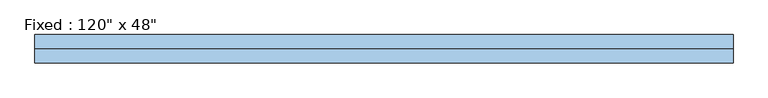
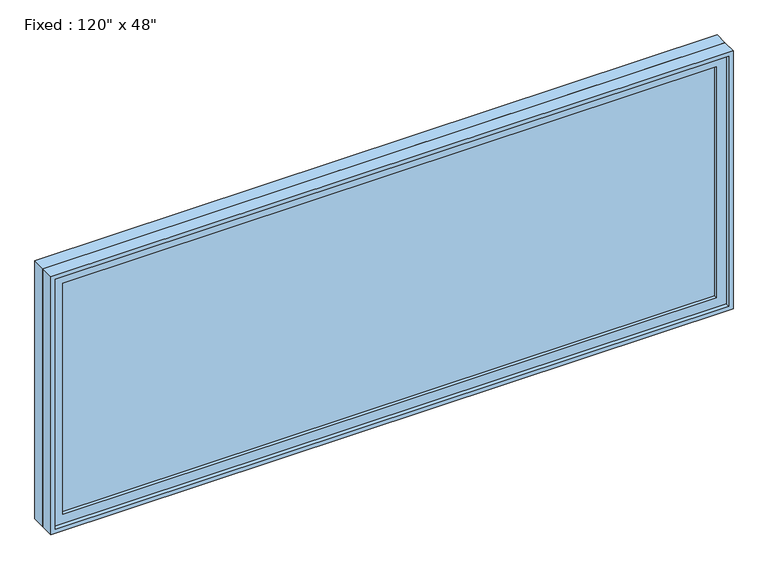
"""IFC4 building model written with IfcOpenShell, lengths in millimetres: window geometry."""

from ifc_helpers import new_model, si_unit, frame, origin, place, context, project, spatial, polyline, outline, extrude, source, transform, mapped, element, save


def window_92ac4fd3(model_context):
    return source(origin(), model_context, "Body", "SweptSolid", [
        extrude(outline(polyline([(1422.4, -14.2875), (1422.4, -26.9875), (-1498.6, -26.9875), (-1498.6, -14.2875), (1422.4, -14.2875)])), frame((0.0, 0.0, 977.9), z_axis=(0.0, 0.0, 1.0), x_axis=(1.0, 0.0, 0.0)), (0.0, 0.0, 1.0), 1092.2),
        extrude(outline(polyline([(2114.55, -1543.05), (933.45, -1543.05), (933.45, 1466.85), (2114.55, 1466.85), (2114.55, -1543.05)]), holes=[polyline([(2070.1, -1498.6), (2070.1, 1422.4), (977.9, 1422.4), (977.9, -1498.6), (2070.1, -1498.6)])]), frame((0.0, -42.8625, 0.0), z_axis=(0.0, 1.0, 0.0), x_axis=(0.0, 0.0, 1.0)), (0.0, 0.0, 1.0), 44.45),
        extrude(outline(polyline([(2133.6, -1562.1), (914.4, -1562.1), (914.4, 1485.9), (2133.6, 1485.9), (2133.6, -1562.1)]), holes=[polyline([(2101.85, -1530.35), (2101.85, 1454.15), (946.15, 1454.15), (946.15, -1530.35), (2101.85, -1530.35)])]), frame((0.0, 1.5875, 0.0), z_axis=(0.0, 1.0, 0.0), x_axis=(0.0, 0.0, 1.0)), (0.0, 0.0, 1.0), 60.325),
        extrude(outline(polyline([(2133.6, 1485.9), (2133.6, -1562.1), (914.4, -1562.1), (914.4, 1485.9), (2133.6, 1485.9)]), holes=[polyline([(2114.55, 1466.85), (933.45, 1466.85), (933.45, -1543.05), (2114.55, -1543.05), (2114.55, 1466.85)])]), frame((0.0, -61.9125, 0.0), z_axis=(0.0, 1.0, 0.0), x_axis=(0.0, 0.0, 1.0)), (0.0, 0.0, 1.0), 63.5),
    ])


if __name__ == "__main__":
    model = new_model("IFC4")
    model_context = context("Model", 3, world=origin())
    ifc_project = project(units=[si_unit("LENGTHUNIT", "METRE", prefix="MILLI")], contexts=[model_context])
    site = spatial("IfcSite", under=ifc_project)
    building = spatial("IfcBuilding", under=site)
    placement = place(None, origin())
    window_shape = window_92ac4fd3(model_context)
    element("IfcWindow", 1, ObjectType="Fixed : 120\" x 48\"", at=placement, inside=building, context=model_context, shape_type="MappedRepresentation", body=[
        mapped(window_shape, transform((0.0, 0.0, 0.0), x_axis=(1.0, 0.0, 0.0), y_axis=(0.0, 1.0, 0.0), z_axis=(0.0, 0.0, 1.0))),
    ])
    save(model, "model.ifc")
